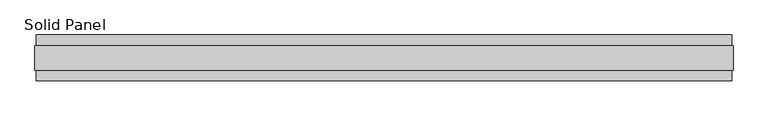
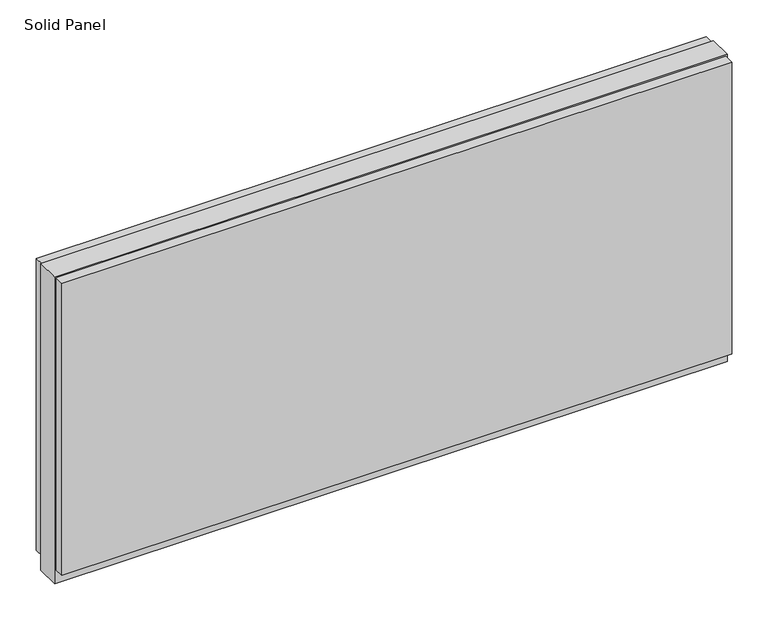
"""IFC4 building model written with IfcOpenShell, lengths in millimetres: plate geometry, Solid Panel."""

from ifc_helpers import new_model, si_unit, frame, origin, origin_with_axes, place, context, project, spatial, polyline, outline, extrude, source, transform, mapped, element, save


def solid_panel_81a08127(model_context):
    return source(origin(), model_context, "Body", "SweptSolid", [
        extrude(outline(polyline([(733.6028, -48.4531867), (-733.6028, -48.4531867), (-733.6028, -25.9961), (733.6028, -25.9961), (733.6028, -48.4531867)])), frame((0.0, 0.0, 32.004), z_axis=(0.0, 0.0, 1.0), x_axis=(1.0, 0.0, 0.0)), (0.0, 0.0, 1.0), 676.1861),
        extrude(outline(polyline([(733.6028, 25.9977), (-733.6028, 25.9977), (-733.6028, 48.4547867), (733.6028, 48.4547867), (733.6028, 25.9977)])), frame((0.0, 0.0, 32.004), z_axis=(0.0, 0.0, 1.0), x_axis=(1.0, 0.0, 0.0)), (0.0, 0.0, 1.0), 676.1861),
        extrude(outline(polyline([(736.6, -25.9961), (-736.6, -25.9961), (-736.6, 25.9977), (736.6, 25.9977), (736.6, -25.9961)])), origin_with_axes(), (0.0, 0.0, 1.0), 711.2),
    ])


if __name__ == "__main__":
    model = new_model("IFC4")
    model_context = context("Model", 3, world=origin())
    ifc_project = project(units=[si_unit("LENGTHUNIT", "METRE", prefix="MILLI")], contexts=[model_context])
    site = spatial("IfcSite", under=ifc_project)
    building = spatial("IfcBuilding", under=site)
    placement = place(None, origin())
    solid_panel_shape = solid_panel_81a08127(model_context)
    element("IfcPlate", 1, ObjectType="Solid Panel", at=placement, inside=building, context=model_context, shape_type="MappedRepresentation", body=[
        mapped(solid_panel_shape, transform((0.0, 0.0, 0.0), x_axis=(1.0, 0.0, 0.0), y_axis=(0.0, 1.0, 0.0), z_axis=(0.0, 0.0, 1.0))),
    ])
    save(model, "model.ifc")
